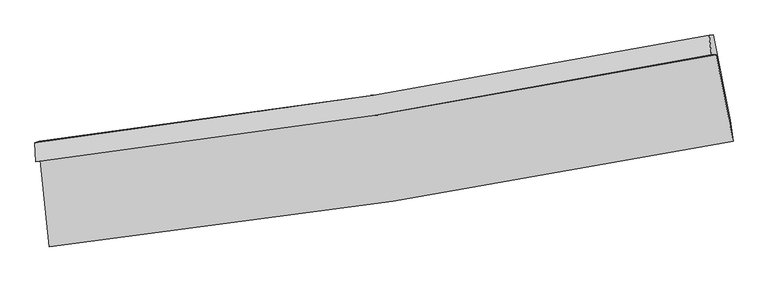
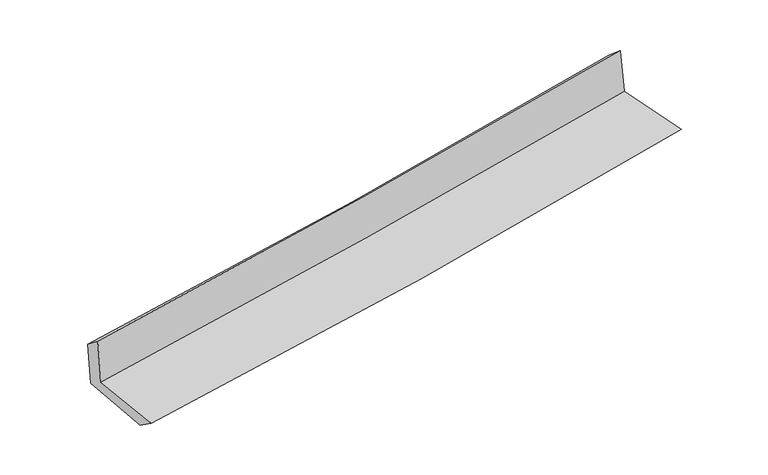
"""IFC4 building model written with IfcOpenShell, lengths in millimetres: proxy geometry."""

from ifc_helpers import new_model, si_unit, frame, origin, place, context, project, spatial, source, transform, mapped, element, save
from ifc_brep_helpers import plane_surface, spline_curve, spline_surface, advanced_brep


def generic_models_23fd5b30(model_context):
    return source(origin(), model_context, "Body", "AdvancedBrep", [
        advanced_brep(
        [(-2617.079139, -1892.4233879, 1654.7414102), (-2546.7155907, -2554.5812576, 1641.5942374), (2693.2087724, -1747.2482105, 2116.9994467), (2563.4834362, -1083.1194335, 2117.6758623), (-2651.7237603, -1904.2577688, 2065.3627672), (2527.7031858, -1084.4471468, 2518.1226555), (-2656.6811009, -1755.1567315, 1943.7379282), (2509.5743213, -932.034766, 2388.9186857), (-2624.1108853, -1744.0309543, 1557.7032249), (2542.1010666, -930.8123713, 2024.8511668), (-2553.3317216, -2391.266641, 1521.9498477), (2672.4612699, -1584.0209584, 1993.4305179)],
        [
            (0, 1),
            (1, 2, spline_curve(3, [(-2546.7155907, -2554.5812576, 1641.5942374), (-1667.112161943, -2455.743853167, 1723.661841236), (-789.728160088, -2338.866427887, 1804.39398642), (956.894535078, -2069.602931576, 1962.851101564), (1826.151987493, -1917.369340916, 2040.587359726), (2693.2087724, -1747.2482105, 2116.9994467)], [4, 2, 4], [0.0, 8.703863532269086, 17.370864881390123])),
            (2, 3),
            (3, 0, spline_curve(3, [(2563.4834362, -1083.1194335, 2117.6758623), (1706.120229484, -1250.159499827, 2052.718728556), (846.645694065, -1401.012835108, 1981.756925349), (-880.190499743, -1670.918802121, 1827.496627373), (-1747.570156397, -1789.833451966, 1744.1469469), (-2617.079139, -1892.4233879, 1654.7414102)], [4, 2, 4], [0.0, 8.667001349121037, 17.370864881390123])),
            (4, 0),
            (3, 5),
            (5, 4, spline_curve(3, [(2527.7031858, -1084.4471468, 2518.1226555), (1671.224482199, -1256.628514829, 2454.490929213), (812.287371448, -1410.929799785, 2385.037521374), (-914.167320752, -1684.352424236, 2234.167185282), (-1781.705858847, -1803.321346915, 2152.700630193), (-2651.7237603, -1904.2577688, 2065.3627672)], [4, 2, 4], [0.0, 8.618367088084183, 17.273389509800026])),
            (6, 4),
            (5, 7),
            (7, 6, spline_curve(3, [(2509.5743213, -932.034766, 2388.9186857), (1655.934102697, -1102.894270009, 2319.477809264), (799.512219822, -1256.80799536, 2247.742579362), (-922.549208916, -1531.326436861, 2099.368551434), (-1788.212466543, -1651.786699798, 2022.710195769), (-2656.6811009, -1755.1567315, 1943.7379282)], [4, 2, 4], [0.0, 8.607327641710222, 17.25126366446981])),
            (8, 6),
            (7, 9),
            (9, 8, spline_curve(3, [(2542.1010666, -930.8123713, 2024.8511668), (1689.178534144, -1103.324675355, 1947.561805067), (833.119862766, -1257.24477161, 1870.071167125), (-888.924053898, -1528.476120172, 1714.356902378), (-1754.936033409, -1645.628885088, 1636.131559525), (-2624.1108853, -1744.0309543, 1557.7032249)], [4, 2, 4], [0.0, 8.596856525474179, 17.230276896617042])),
            (10, 8),
            (9, 11),
            (11, 10, spline_curve(3, [(2672.4612699, -1584.0209584, 1993.4305179), (1808.764276291, -1757.682116888, 1915.230403458), (942.362905969, -1911.682228041, 1836.923892878), (-799.545037948, -2180.931721105, 1679.764576525), (-1675.074664706, -2296.013504378, 1600.910863636), (-2553.3317216, -2391.266641, 1521.9498477)], [4, 2, 4], [0.0, 8.64503038086854, 17.326829498741183])),
            (1, 10),
            (11, 2),
        ],
        [
            spline_surface(3, 3, [[(-2617.079139, -1892.4233879, 1654.7414102), (-1747.570156272, -1789.833451897, 1744.146946904), (-880.190499782, -1670.918802248, 1827.4966275), (846.645694105, -1401.012834982, 1981.756925222), (1706.120229346, -1250.159499821, 2052.718728644), (2563.4834362, -1083.1194335, 2117.6758623)], [(-2593.624622898, -2113.142677815, 1650.359019248), (-1720.750824787, -2011.803585713, 1737.318578355), (-850.036386489, -1893.568010851, 1819.795747116), (883.395307754, -1623.876200476, 1975.454984042), (1746.130815398, -1472.562780222, 2048.674938994), (2606.725214933, -1304.495692497, 2117.450390432)], [(-2570.170106802, -2333.861967685, 1645.976628352), (-1693.931493306, -2233.773719483, 1730.490209863), (-819.882273275, -2116.217219424, 1812.094866708), (920.144921324, -1846.739565941, 1969.153042839), (1786.14140145, -1694.966060632, 2044.63114935), (2649.966993667, -1525.871951503, 2117.224918568)], [(-2546.7155907, -2554.5812576, 1641.5942374), (-1667.112161821, -2455.743853299, 1723.661841314), (-789.728159981, -2338.866428027, 1804.393986323), (956.894534973, -2069.602931435, 1962.85110166), (1826.151987501, -1917.369341033, 2040.5873597), (2693.2087724, -1747.2482105, 2116.9994467)]], [4, 4], [4, 2, 4], [0.0, 2.21811416494113], [0.0, 8.703863532269086, 17.370864881390123]),
            spline_surface(3, 3, [[(-2651.7237603, -1904.2577688, 2065.3627672), (-1781.705858762, -1803.3213469, 2152.700630189), (-914.167320756, -1684.352424321, 2234.167185171), (812.287371451, -1410.929799701, 2385.037521484), (1671.224482151, -1256.62851489, 2454.490929274), (2527.7031858, -1084.4471468, 2518.1226555)], [(-2640.175553189, -1900.312975167, 1928.488981531), (-1770.327291254, -1798.825381899, 2016.516069091), (-902.841713778, -1679.874550298, 2098.610332622), (823.740145655, -1407.624144796, 2250.610656071), (1682.856397898, -1254.472176511, 2320.566862405), (2539.629935948, -1084.004575677, 2384.640391108)], [(-2628.627346111, -1896.368181533, 1791.615195869), (-1758.94872378, -1794.329416898, 1880.331508001), (-891.51610676, -1675.396676271, 1963.05348005), (835.192919901, -1404.318489887, 2116.183790635), (1694.488313599, -1252.3158382, 2186.642795513), (2551.556686052, -1083.562004623, 2251.158126692)], [(-2617.079139, -1892.4233879, 1654.7414102), (-1747.570156272, -1789.833451897, 1744.146946904), (-880.190499782, -1670.918802248, 1827.4966275), (846.645694105, -1401.012834982, 1981.756925222), (1706.120229346, -1250.159499821, 2052.718728644), (2563.4834362, -1083.1194335, 2117.6758623)]], [4, 4], [4, 2, 4], [0.0, 1.3339545653534612], [0.0, 8.655022421715843, 17.273389509800026]),
            spline_surface(3, 3, [[(-2656.6811009, -1755.1567315, 1943.7379282), (-1788.21246668, -1651.786699825, 2022.710195768), (-922.549208873, -1531.326436819, 2099.368551492), (799.512219779, -1256.807995402, 2247.742579304), (1655.934102725, -1102.894269926, 2319.477809391), (2509.5743213, -932.034766, 2388.9186857)], [(-2655.028654061, -1804.857077258, 1984.279541224), (-1786.043597402, -1702.298248841, 2066.040340599), (-919.755246178, -1582.335099314, 2144.30142938), (803.770603659, -1308.181930163, 2293.507560025), (1661.030895846, -1154.139018276, 2364.482182695), (2515.617276112, -982.838892962, 2431.986675643)], [(-2653.376207139, -1854.557423042, 2024.821154176), (-1783.87472804, -1752.809797884, 2109.370485358), (-916.961283451, -1633.343761826, 2189.234307284), (808.028987572, -1359.55586494, 2339.272540763), (1666.12768903, -1205.38376654, 2409.48655597), (2521.660230988, -1033.643019838, 2475.054665557)], [(-2651.7237603, -1904.2577688, 2065.3627672), (-1781.705858762, -1803.3213469, 2152.700630189), (-914.167320756, -1684.352424321, 2234.167185171), (812.287371451, -1410.929799701, 2385.037521484), (1671.224482151, -1256.62851489, 2454.490929274), (2527.7031858, -1084.4471468, 2518.1226555)]], [4, 4], [4, 2, 4], [0.0, 0.6739966791865365], [0.0, 8.643936022759588, 17.25126366446981]),
            spline_surface(3, 3, [[(-2624.1108853, -1744.0309543, 1557.7032249), (-1754.936033389, -1645.62888501, 1636.131559628), (-888.924053997, -1528.476120267, 1714.356902325), (833.119862864, -1257.244771515, 1870.071167177), (1689.178534131, -1103.32467524, 1947.56180515), (2542.1010666, -930.8123713, 2024.8511668)], [(-2634.967623823, -1747.739546689, 1686.381459312), (-1766.028177809, -1647.681489938, 1764.991104987), (-900.132438953, -1529.426225788, 1842.694118696), (821.917315172, -1257.099179481, 1995.961637868), (1678.097057009, -1103.181206772, 2071.533806571), (2531.25881818, -931.21983617, 2146.207006441)], [(-2645.824362377, -1751.448139111, 1815.059693788), (-1777.12032226, -1649.734094897, 1893.850650409), (-911.340823917, -1530.376331298, 1971.031335121), (810.714767471, -1256.953587436, 2121.852108613), (1667.015579847, -1103.037738393, 2195.505807969), (2520.41656972, -931.62730113, 2267.562846059)], [(-2656.6811009, -1755.1567315, 1943.7379282), (-1788.21246668, -1651.786699825, 2022.710195768), (-922.549208873, -1531.326436819, 2099.368551492), (799.512219779, -1256.807995402, 2247.742579304), (1655.934102725, -1102.894269926, 2319.477809391), (2509.5743213, -932.034766, 2388.9186857)]], [4, 4], [4, 2, 4], [0.0, 1.2560294334852375], [0.0, 8.633420371142863, 17.230276896617042]),
            spline_surface(3, 3, [[(-2553.3317216, -2391.266641, 1521.9498477), (-1675.074664787, -2296.013504331, 1600.910863647), (-799.545037957, -2180.931721177, 1679.764576495), (942.362905978, -1911.68222797, 1836.923892907), (1808.764276299, -1757.682116941, 1915.230403504), (2672.4612699, -1584.0209584, 1993.4305179)], [(-2576.924776152, -2175.521412111, 1533.867640093), (-1701.695120973, -2079.218631235, 1612.651095634), (-829.338043287, -1963.446520879, 1691.295351774), (905.94855829, -1693.536409157, 1847.972984333), (1768.902362237, -1539.562969736, 1926.007537384), (2629.007868793, -1366.284762729, 2003.904067531)], [(-2600.517830748, -1959.776183189, 1545.785432507), (-1728.315577203, -1862.423758106, 1624.391327641), (-859.131048667, -1745.961320564, 1702.826127046), (869.534210552, -1475.390590328, 1859.022075752), (1729.040448194, -1321.443822445, 1936.78467127), (2585.554467707, -1148.548566971, 2014.377617169)], [(-2624.1108853, -1744.0309543, 1557.7032249), (-1754.936033389, -1645.62888501, 1636.131559628), (-888.924053997, -1528.476120267, 1714.356902325), (833.119862864, -1257.244771515, 1870.071167177), (1689.178534131, -1103.32467524, 1947.56180515), (2542.1010666, -930.8123713, 2024.8511668)]], [4, 4], [4, 2, 4], [0.0, 2.1712828762393284], [0.0, 8.681799117872643, 17.326829498741183]),
            spline_surface(3, 3, [[(-2546.7155907, -2554.5812576, 1641.5942374), (-1667.112161821, -2455.743853299, 1723.661841314), (-789.728159981, -2338.866428027, 1804.393986323), (956.894534973, -2069.602931435, 1962.85110166), (1826.151987501, -1917.369341033, 2040.5873597), (2693.2087724, -1747.2482105, 2116.9994467)], [(-2548.920967676, -2500.14305206, 1601.712774192), (-1669.766329486, -2402.500403636, 1682.744848784), (-793.000452661, -2286.221525728, 1762.85084972), (952.05065862, -2016.962696931, 1920.875365415), (1820.356083767, -1864.140266334, 1998.801707613), (2686.292938233, -1692.839126465, 2075.809803745)], [(-2551.126344624, -2445.70484654, 1561.831310908), (-1672.420497123, -2349.256953994, 1641.827856177), (-796.272745278, -2233.576623476, 1721.307713098), (947.20678233, -1964.322462474, 1878.899629152), (1814.560180033, -1810.91119164, 1957.016055591), (2679.377104067, -1638.430042435, 2034.620160855)], [(-2553.3317216, -2391.266641, 1521.9498477), (-1675.074664787, -2296.013504331, 1600.910863647), (-799.545037957, -2180.931721177, 1679.764576495), (942.362905978, -1911.68222797, 1836.923892907), (1808.764276299, -1757.682116941, 1915.230403504), (2672.4612699, -1584.0209584, 1993.4305179)]], [4, 4], [4, 2, 4], [0.0, 0.6625599654229603], [0.0, 8.741178973148328, 17.445337726592676]),
            plane_surface(frame((2584.755342, -1226.9471477, 2193.3330558), z_axis=(0.977662244136227, 0.19087871416545005, 0.0879877995466456), x_axis=(-0.08898766987745797, -0.0033442647666836857, 0.9960271133372579))),
            plane_surface(frame((-2608.2736996, -2040.2861235, 1730.8482359), z_axis=(-0.9908461215583267, -0.10357215173516227, -0.08658390599742107), x_axis=(-0.10564848185771139, 0.9942075886499877, 0.019740034243583098))),
        ],
        [
            (0, [[1, 2, 3, 4]]),
            (1, [[5, -4, 6, 7]]),
            (2, [[8, -7, 9, 10]]),
            (3, [[11, -10, 12, 13]]),
            (4, [[14, -13, 15, 16]]),
            (5, [[17, -16, 18, -2]]),
            (6, [[-12, -9, -6, -3, -18, -15]]),
            (7, [[-1, -5, -8, -11, -14, -17]]),
        ],
    ),
    ])


if __name__ == "__main__":
    model = new_model("IFC4")
    model_context = context("Model", 3, world=origin())
    ifc_project = project(units=[si_unit("LENGTHUNIT", "METRE", prefix="MILLI")], contexts=[model_context])
    site = spatial("IfcSite", under=ifc_project)
    building = spatial("IfcBuilding", under=site)
    placement = place(None, origin())
    generic_models_shape = generic_models_23fd5b30(model_context)
    element("IfcBuildingElementProxy", 1, Name="Generic Models", at=placement, inside=building, context=model_context, shape_type="MappedRepresentation", body=[
        mapped(generic_models_shape, transform((0.0, 0.0, 0.0), x_axis=(1.0, 0.0, 0.0), y_axis=(0.0, 1.0, 0.0), z_axis=(0.0, 0.0, 1.0))),
    ])
    save(model, "model.ifc")
